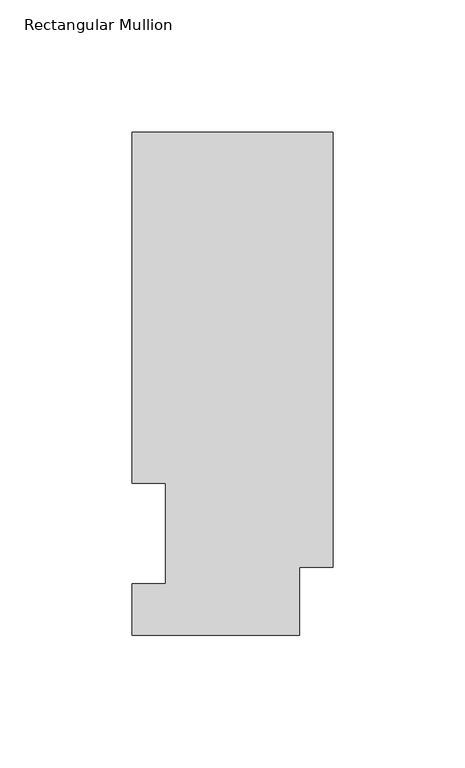
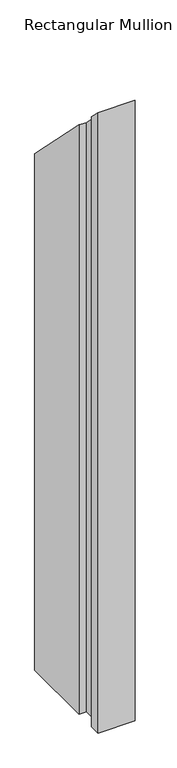
"""IFC4 building model written with IfcOpenShell, lengths in millimetres: member geometry, Rectangular Mullion."""

from ifc_helpers import new_model, si_unit, origin, place, context, project, spatial, faceted_brep, source, transform, mapped, element, save


def rectangular_mullion_00a08ff5(model_context):
    return source(origin(), model_context, "Body", "Brep", [
        faceted_brep([(0.0, 190.5896937, -1136.7354567), (0.0, 25.8960937, -1136.7354567), (-12.7, 25.8960937, -1136.7354567), (-12.7, 0.0134937, -1136.7354567), (-76.2, 0.0134937, -1136.7354567), (-76.2, 19.5460937, -1136.7354567), (-63.5127, 19.5460937, -1136.7354567), (-63.5127, 57.6460937, -1136.7354567), (-76.2, 57.6460937, -1136.7354567), (-76.2, 190.5896937, -1136.7354567), (-76.2, 190.5896937, -190.5896937), (0.0, 190.5896937, -190.5896937), (-76.2, 57.6460937, -57.6460937), (-63.5127, 57.6460937, -57.6460937), (-63.5127, 19.5460937, -19.5460937), (-76.2, 19.5460937, -19.5460937), (-76.2, 0.0134937, -0.0134937), (-12.7, 0.0134937, -0.0134937), (-12.7, 25.8960937, -25.8960937), (0.0, 25.8960937, -25.8960937)], [[[0, 1, 2, 3, 4, 5, 6, 7, 8, 9]], [[10, 11, 0, 9]], [[12, 10, 9, 8]], [[13, 12, 8, 7]], [[14, 13, 7, 6]], [[15, 14, 6, 5]], [[16, 15, 5, 4]], [[17, 16, 4, 3]], [[18, 17, 3, 2]], [[19, 18, 2, 1]], [[11, 19, 1, 0]], [[11, 10, 12, 13, 14, 15, 16, 17, 18, 19]]]),
    ])


if __name__ == "__main__":
    model = new_model("IFC4")
    model_context = context("Model", 3, world=origin())
    ifc_project = project(units=[si_unit("LENGTHUNIT", "METRE", prefix="MILLI")], contexts=[model_context])
    site = spatial("IfcSite", under=ifc_project)
    building = spatial("IfcBuilding", under=site)
    placement = place(None, origin())
    rectangular_mullion_shape = rectangular_mullion_00a08ff5(model_context)
    element("IfcMember", 1, ObjectType="Rectangular Mullion", at=placement, inside=building, context=model_context, shape_type="MappedRepresentation", body=[
        mapped(rectangular_mullion_shape, transform((0.0, 0.0, 0.0), x_axis=(1.0, 0.0, 0.0), y_axis=(0.0, 1.0, 0.0), z_axis=(0.0, 0.0, 1.0))),
    ])
    save(model, "model.ifc")
